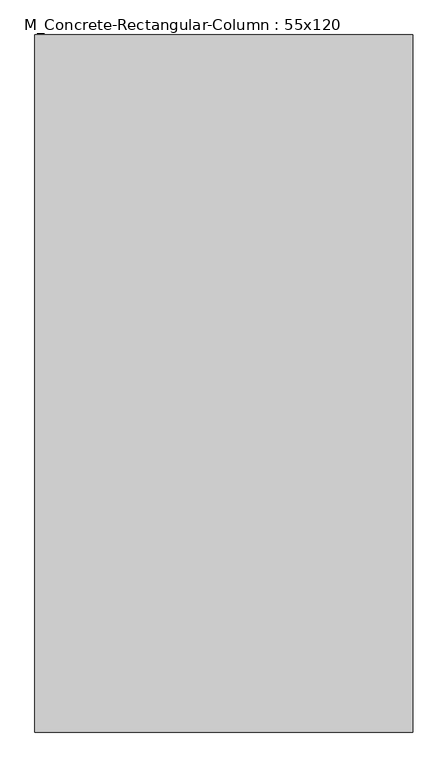
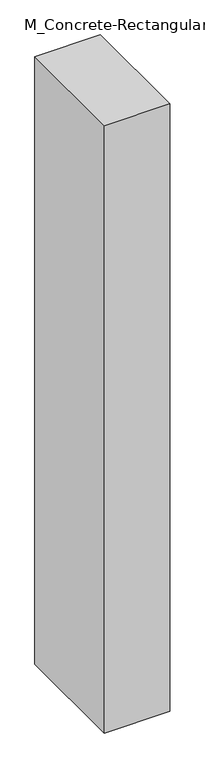
"""IFC4 building model written with IfcOpenShell, lengths in millimetres: column geometry, M_Concrete-Rectangular-Column : 55x120."""

from ifc_helpers import new_model, si_unit, frame, origin, place, context, project, spatial, polyline, outline, extrude, source, transform, mapped, element, save


def m_concrete_rectangular_column_55x120_75a88287(model_context):
    return source(origin(), model_context, "Body", "SweptSolid", [
        extrude(outline(polyline([(325.0, 600.0), (325.0, -600.0), (-325.0, -600.0), (-325.0, 600.0), (325.0, 600.0)])), frame((0.0, 0.0, -6400.0), z_axis=(0.0, 0.0, 1.0), x_axis=(1.0, 0.0, 0.0)), (0.0, 0.0, 1.0), 6400.0),
    ])


if __name__ == "__main__":
    model = new_model("IFC4")
    model_context = context("Model", 3, world=origin())
    ifc_project = project(units=[si_unit("LENGTHUNIT", "METRE", prefix="MILLI")], contexts=[model_context])
    site = spatial("IfcSite", under=ifc_project)
    building = spatial("IfcBuilding", under=site)
    placement = place(None, origin())
    m_concrete_rectangular_column_55x120_shape = m_concrete_rectangular_column_55x120_75a88287(model_context)
    element("IfcColumn", 1, ObjectType="M_Concrete-Rectangular-Column : 55x120", at=placement, inside=building, context=model_context, shape_type="MappedRepresentation", body=[
        mapped(m_concrete_rectangular_column_55x120_shape, transform((0.0, 0.0, 0.0), x_axis=(1.0, 0.0, 0.0), y_axis=(0.0, 1.0, 0.0), z_axis=(0.0, 0.0, 1.0))),
    ])
    save(model, "model.ifc")
